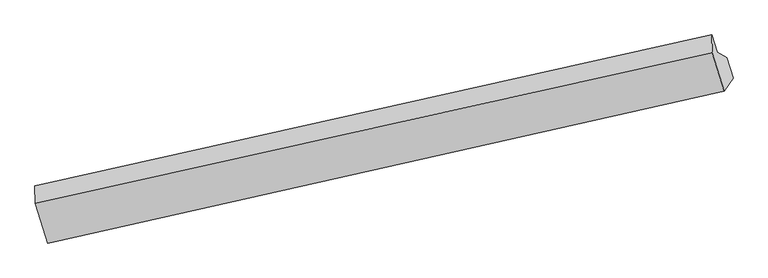
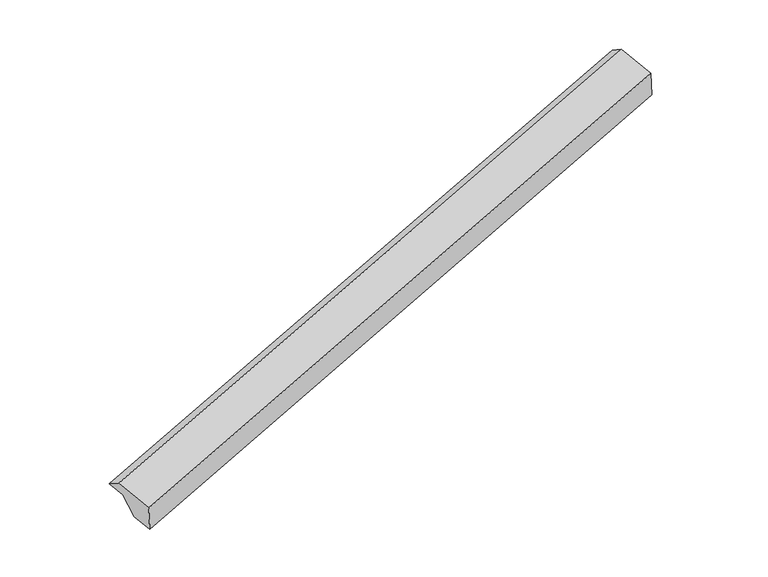
"""IFC4 building model written with IfcOpenShell, lengths in millimetres: proxy geometry."""

from ifc_helpers import new_model, si_unit, frame, origin, place, context, project, spatial, source, transform, mapped, element, save
from ifc_brep_helpers import plane_surface, spline_surface, advanced_brep


def generic_models_dc61d383(model_context):
    return source(origin(), model_context, "Body", "AdvancedBrep", [
        advanced_brep(
        [(-5894.515913, -2170.8580342, 778.2401491), (-5983.5216617, -2112.9962332, 1022.1648935), (192.9532466, -733.1229944, 2931.29297), (279.0691324, -781.7480311, 2689.8843491), (-6033.5646109, -1953.0457657, 1065.7359011), (142.9102974, -573.172527, 2974.8639776), (-6028.4870322, -2115.3216585, 1168.5698238), (147.9878761, -735.4484197, 3077.6979003), (-5915.3464516, -2476.9488022, 1070.0614587), (258.2385938, -1087.8387991, 2981.7056587), (-5835.7698422, -2358.6259742, 727.0915749), (337.8152031, -969.5159711, 2638.7357749)],
        [
            (0, 1),
            (1, 2),
            (2, 3),
            (3, 0),
            (1, 4),
            (4, 5),
            (5, 2),
            (4, 6),
            (6, 7),
            (7, 5),
            (6, 8),
            (8, 9),
            (9, 7),
            (8, 10),
            (10, 11),
            (11, 9),
            (10, 0),
            (3, 11),
        ],
        [
            spline_surface(1, 1, [[(-5894.515913, -2170.8580342, 778.2401491), (279.0691324, -781.7480311, 2689.8843491)], [(-5983.5216617, -2112.9962332, 1022.1648935), (192.9532466, -733.1229944, 2931.29297)]], [2, 2], [2, 2], [0.0, 1.0], [0.0, 1.0]),
            plane_surface(frame((-6008.5431363, -2033.0209995, 1043.9503973), z_axis=(0.21424325305409797, 0.3185592825590124, -0.9233741451959143), x_axis=(-0.28898629297777567, 0.9236764305624753, 0.25161234885102157))),
            plane_surface(frame((-6031.0258216, -2034.1837121, 1117.1528624), z_axis=(-0.35555964890336583, 0.49233078653153484, 0.7944732422838139), x_axis=(0.026420626851244227, -0.8443849134564931, 0.5350851038889588))),
            plane_surface(frame((-5971.9167419, -2296.1352303, 1119.3156412), z_axis=(-0.21424325305409644, -0.3185592825590092, 0.9233741451959155), x_axis=(0.2889862929777749, -0.9236764305624762, -0.251612348851019))),
            plane_surface(frame((-5875.5581469, -2417.7873882, 898.5765168), z_axis=(0.2861619798775438, -0.924316450696511, -0.25248845566553946), x_axis=(0.21424325305410666, 0.3185592825590114, -0.9233741451959125))),
            plane_surface(frame((-5865.1428776, -2264.7420042, 752.665862), z_axis=(0.21424325305409742, 0.3185592825590061, -0.9233741451959167), x_axis=(-0.28898629297777456, 0.9236764305624772, 0.2516123488510158))),
            plane_surface(frame((226.4957249, -813.4744571, 2882.3634384), z_axis=(0.9330523838412063, 0.21293622312526178, 0.2899507094134989), x_axis=(0.21424325305410666, 0.3185592825590114, -0.9233741451959125))),
            plane_surface(frame((-5948.5342519, -2197.966078, 971.9773002), z_axis=(-0.9330523838412074, -0.21293622312525845, -0.289950709413498), x_axis=(0.28898629297777184, -0.923676430562477, -0.25161234885101974))),
        ],
        [
            (0, [[1, 2, 3, 4]]),
            (1, [[5, 6, 7, -2]]),
            (2, [[8, 9, 10, -6]]),
            (3, [[11, 12, 13, -9]]),
            (4, [[14, 15, 16, -12]]),
            (5, [[17, -4, 18, -15]]),
            (6, [[-16, -18, -3, -7, -10, -13]]),
            (7, [[-17, -14, -11, -8, -5, -1]]),
        ],
    ),
    ])


if __name__ == "__main__":
    model = new_model("IFC4")
    model_context = context("Model", 3, world=origin())
    ifc_project = project(units=[si_unit("LENGTHUNIT", "METRE", prefix="MILLI")], contexts=[model_context])
    site = spatial("IfcSite", under=ifc_project)
    building = spatial("IfcBuilding", under=site)
    placement = place(None, origin())
    generic_models_shape = generic_models_dc61d383(model_context)
    element("IfcBuildingElementProxy", 1, Name="Generic Models", at=placement, inside=building, context=model_context, shape_type="MappedRepresentation", body=[
        mapped(generic_models_shape, transform((0.0, 0.0, 0.0), x_axis=(1.0, 0.0, 0.0), y_axis=(0.0, 1.0, 0.0), z_axis=(0.0, 0.0, 1.0))),
    ])
    save(model, "model.ifc")
